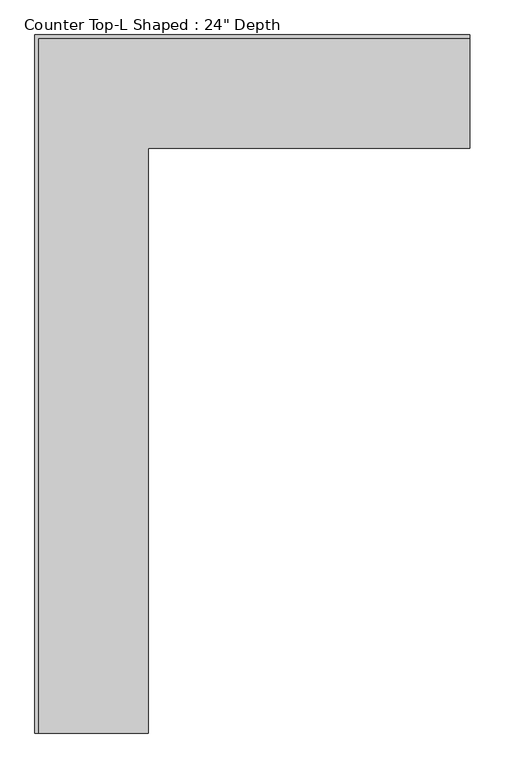
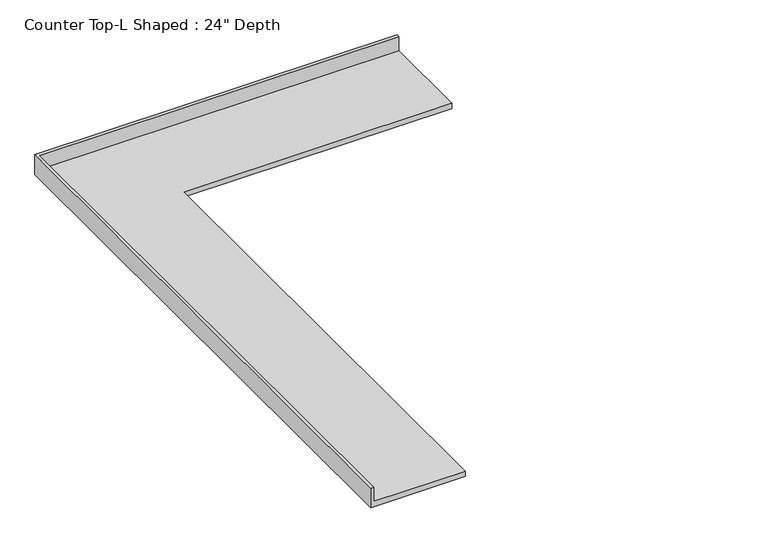
"""IFC4 building model written with IfcOpenShell, lengths in millimetres: furniture geometry."""

from ifc_helpers import new_model, si_unit, origin, place, context, project, spatial, faceted_brep, source, transform, mapped, element, save


def furniture_1df743a5(model_context):
    return source(origin(), model_context, "Body", "Brep", [
        faceted_brep([(-565.4622951, -3913.9342796, 914.4), (-565.4622951, -635.0, 914.4), (1237.9377049, -635.0, 914.4), (1237.9377049, -19.05, 914.4), (-1181.4122951, -19.05, 914.4), (-1181.4122951, -3913.9342796, 914.4), (1237.9377049, 0.0, 876.3), (1237.9377049, -635.0, 876.3), (-565.4622951, -635.0, 876.3), (-565.4622951, -3913.9342796, 876.3), (-1200.4622951, -3913.9342796, 876.3), (-1200.4622951, 0.0, 876.3), (-1200.4622951, 0.0, 1016.0), (1237.9377049, 0.0, 1016.0), (-1200.4622951, -3913.9342796, 1016.0), (-1181.4122951, -3913.9342796, 1016.0), (1237.9377049, -19.05, 1016.0), (-1181.4122951, -19.05, 1016.0)], [[[0, 1, 2, 3, 4, 5]], [[6, 7, 8, 9, 10, 11]], [[6, 11, 12, 13]], [[11, 10, 14, 12]], [[14, 10, 9, 0, 5, 15]], [[1, 0, 9, 8]], [[2, 1, 8, 7]], [[7, 6, 13, 16, 3, 2]], [[12, 14, 15, 17, 16, 13]], [[3, 16, 17, 4]], [[17, 15, 5, 4]]]),
    ])


if __name__ == "__main__":
    model = new_model("IFC4")
    model_context = context("Model", 3, world=origin())
    ifc_project = project(units=[si_unit("LENGTHUNIT", "METRE", prefix="MILLI")], contexts=[model_context])
    site = spatial("IfcSite", under=ifc_project)
    building = spatial("IfcBuilding", under=site)
    placement = place(None, origin())
    furniture_shape = furniture_1df743a5(model_context)
    element("IfcFurniture", 1, ObjectType="Counter Top-L Shaped : 24\" Depth", at=placement, inside=building, context=model_context, shape_type="MappedRepresentation", body=[
        mapped(furniture_shape, transform((0.0, 0.0, 0.0), x_axis=(1.0, 0.0, 0.0), y_axis=(0.0, 1.0, 0.0), z_axis=(0.0, 0.0, 1.0))),
    ])
    save(model, "model.ifc")
